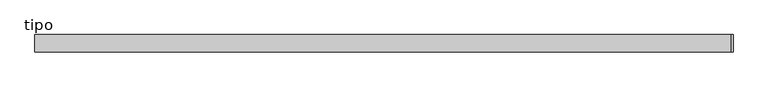
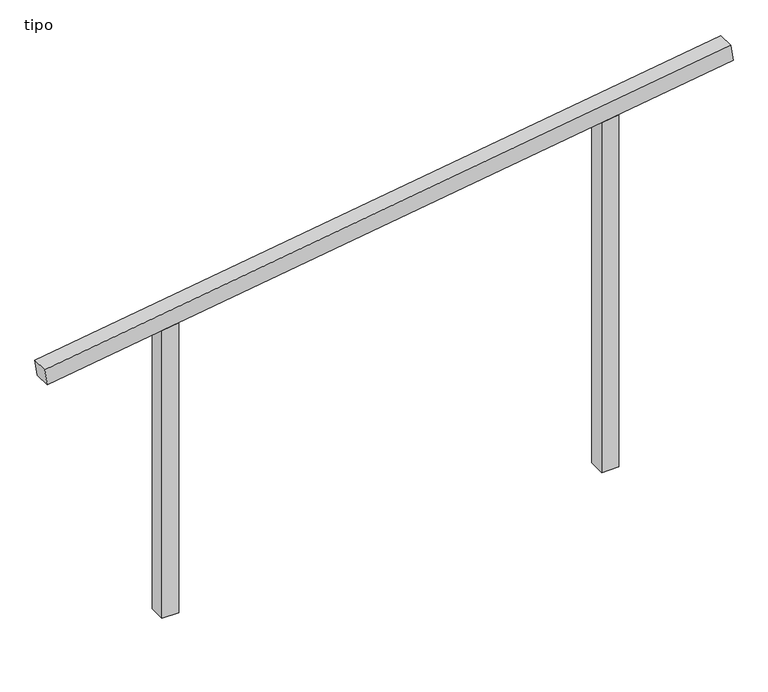
"""IFC4 building model written with IfcOpenShell, lengths in millimetres: proxy geometry, tipo."""

import ifcopenshell
import ifcopenshell.guid

model = None  # the IFC model being written
_history = None  # IfcOwnerHistory: only IFC2X3 demands one
_inside = {}  # id of a spatial element -> (the spatial element, [elements in it])
_under = {}  # id of a project, library or spatial element -> (it, [spatial elements below it])
_declared = {}  # id of a project -> (the project, [libraries it declares])
_typed = {}  # id of a type object -> (the type object, [elements of that type])
_made_of = {}  # id of a material, layer set ... -> (it, [elements and type objects made of it])


def new_model(schema):
    """Start an empty IFC model of exactly this schema.

    Asked for "IFC4X3", IfcOpenShell would pick the latest addendum, in which some entities
    have other attributes; the version numbers below select the first issue.
    IFC2X3 requires an IfcOwnerHistory on every rooted entity: one is made here for all.
    """
    global model, _history
    if schema == "IFC4X3":
        model = ifcopenshell.file(schema_version=(4, 3, 0, 0))
    else:
        model = ifcopenshell.file(schema=schema)
    _inside.clear()
    _under.clear()
    _declared.clear()
    _typed.clear()
    _made_of.clear()
    _history = None
    if model.schema == "IFC2X3":
        org = make("IfcOrganization", Name="unknown")
        user = make(
            "IfcPersonAndOrganization",
            ThePerson=make("IfcPerson", FamilyName="unknown"),
            TheOrganization=org,
        )
        app = make(
            "IfcApplication",
            ApplicationDeveloper=org,
            Version="unknown",
            ApplicationFullName="unknown",
            ApplicationIdentifier="unknown",
        )
        _history = make(
            "IfcOwnerHistory",
            OwningUser=user,
            OwningApplication=app,
            ChangeAction="ADDED",
            CreationDate=0,
        )
    return model


def make(cls, **values):
    """One entity of the class cls with the attributes given. An attribute that is None is left unset."""
    return model.create_entity(
        cls, **{name: value for name, value in values.items() if value is not None}
    )


def rooted(cls, **values):
    """An entity with a GlobalId (a new one), such as an element, a storey or a relation."""
    return make(cls, GlobalId=ifcopenshell.guid.new(), OwnerHistory=_history, **values)


def si_unit(unit_type, name, prefix=None):
    """IfcSIUnit, for example si_unit("LENGTHUNIT", "METRE", prefix="MILLI")."""
    return make("IfcSIUnit", UnitType=unit_type, Prefix=prefix, Name=name)


def assignment(units):
    """IfcUnitAssignment: the units of a project."""
    return None if units is None else make("IfcUnitAssignment", Units=units)


def point(xyz):
    """IfcCartesianPoint."""
    return None if xyz is None else make("IfcCartesianPoint", Coordinates=xyz)


def direction(xyz):
    """IfcDirection."""
    return None if xyz is None else make("IfcDirection", DirectionRatios=xyz)


def frame(location, z_axis=None, x_axis=None):
    """IfcAxis2Placement3D, a coordinate frame: its origin and axes. An axis left out is left unset."""
    return make(
        "IfcAxis2Placement3D",
        Location=point(location),
        Axis=direction(z_axis),
        RefDirection=direction(x_axis),
    )


def origin():
    """The frame at (0, 0, 0) with its axes left unset."""
    return frame((0.0, 0.0, 0.0))


def place(relative_to, where):
    """IfcLocalPlacement: puts the frame where relative to a parent placement (None: the world)."""
    return make(
        "IfcLocalPlacement", PlacementRelTo=relative_to, RelativePlacement=where
    )


def context(
    kind, dimensions, precision=None, world=None, true_north=None, identifier=None
):
    """IfcGeometricRepresentationContext, for example the 3D "Model" context."""
    return make(
        "IfcGeometricRepresentationContext",
        ContextIdentifier=identifier,
        ContextType=kind,
        CoordinateSpaceDimension=dimensions,
        Precision=precision,
        WorldCoordinateSystem=world,
        TrueNorth=true_north,
    )


def project(units=None, contexts=None):
    """IfcProject with its units and contexts."""
    return rooted(
        "IfcProject",
        Name="project",
        RepresentationContexts=contexts,
        UnitsInContext=assignment(units),
    )


def spatial(cls, under=None, at=None, **own):
    """A site, building, storey or space (cls), placed at a placement, below another one or the project."""
    s = rooted(cls, ObjectPlacement=at, **own)
    if under is not None:
        _under.setdefault(under.id(), (under, []))[1].append(s)
    return s


def polyline(points):
    """IfcPolyline through the points."""
    return make("IfcPolyline", Points=[point(p) for p in points])


def outline(outer, holes=None, kind="AREA"):
    """IfcArbitraryClosedProfileDef: a profile drawn as a closed curve; with holes, ...WithVoids."""
    if holes is None:
        return make("IfcArbitraryClosedProfileDef", ProfileType=kind, OuterCurve=outer)
    return make(
        "IfcArbitraryProfileDefWithVoids",
        ProfileType=kind,
        OuterCurve=outer,
        InnerCurves=holes,
    )


def extrude(swept, where, along, depth):
    """IfcExtrudedAreaSolid: the profile swept, set in the frame where, extruded along a direction by depth."""
    return make(
        "IfcExtrudedAreaSolid",
        SweptArea=swept,
        Position=where,
        ExtrudedDirection=direction(along),
        Depth=depth,
    )


def shape(context_of_items, identifier, shape_type, items):
    """IfcShapeRepresentation: the items that make up one representation, for example the "Body"."""
    return make(
        "IfcShapeRepresentation",
        ContextOfItems=context_of_items,
        RepresentationIdentifier=identifier,
        RepresentationType=shape_type,
        Items=items,
    )


def source(mapping_origin, context_of_items, identifier, shape_type, items):
    """IfcRepresentationMap: a shape defined once, which mapped items show again and again."""
    return make(
        "IfcRepresentationMap",
        MappingOrigin=mapping_origin,
        MappedRepresentation=shape(context_of_items, identifier, shape_type, items),
    )


def transform(
    local_origin,
    x_axis=None,
    y_axis=None,
    z_axis=None,
    scale=None,
    scale2=None,
    scale3=None,
    uniform=True,
):
    """IfcCartesianTransformationOperator3D, or its non-uniform kind. x_axis, y_axis, z_axis: its Axis1, 2, 3."""
    if uniform:
        return make(
            "IfcCartesianTransformationOperator3D",
            Axis1=direction(x_axis),
            Axis2=direction(y_axis),
            LocalOrigin=point(local_origin),
            Scale=scale,
            Axis3=direction(z_axis),
        )
    return make(
        "IfcCartesianTransformationOperator3DnonUniform",
        Axis1=direction(x_axis),
        Axis2=direction(y_axis),
        LocalOrigin=point(local_origin),
        Scale=scale,
        Axis3=direction(z_axis),
        Scale2=scale2,
        Scale3=scale3,
    )


def mapped(mapping_source, mapping_target):
    """IfcMappedItem: shows the shape of a source again, moved by a transform."""
    return make(
        "IfcMappedItem", MappingSource=mapping_source, MappingTarget=mapping_target
    )


def made_of(thing, what):
    """Note that an element or type object is made of a material, layer set ...; save() writes the relation."""
    if what is not None:
        _made_of.setdefault(what.id(), (what, []))[1].append(thing)
    return thing


def element(
    cls,
    number,
    at=None,
    inside=None,
    cuts=None,
    type_object=None,
    material=None,
    context=None,
    identifier="Body",
    shape_type=None,
    held_by="IfcProductDefinitionShape",
    body=None,
    shapes=None,
    **own,
):
    """One element of the class cls, such as IfcWall. Its Tag is "e" and its number.

    at: its placement. inside: the storey or other place that contains it. cuts: it is an
    opening in that element (IfcRelVoidsElement). A single representation is given by context,
    identifier, shape_type and body (its items); several are given by shapes. held_by: the class
    of the entity that holds the representations. save() writes the other relations.
    """
    e = rooted(cls, Tag="e%d" % number, ObjectPlacement=at, **own)
    if body is not None:
        shapes = [shape(context, identifier, shape_type, body)]
    if shapes is not None:
        e.Representation = make(held_by, Representations=shapes)
    if inside is not None:
        _inside.setdefault(inside.id(), (inside, []))[1].append(e)
    if cuts is not None:
        rooted(
            "IfcRelVoidsElement", RelatingBuildingElement=cuts, RelatedOpeningElement=e
        )
    if type_object is not None:
        _typed.setdefault(type_object.id(), (type_object, []))[1].append(e)
    return made_of(e, material)


def aggregate(whole, parts):
    """IfcRelAggregates: a whole, such as a stair, and the parts it consists of."""
    return rooted("IfcRelAggregates", RelatingObject=whole, RelatedObjects=parts)


def save(model, path):
    """Write the relations noted so far, then the file.

    IfcRelAggregates (storeys below a building ...), IfcRelContainedInSpatialStructure (elements
    in a storey), IfcRelDefinesByType, IfcRelAssociatesMaterial and IfcRelDeclares: one each for
    every whole, place, type object, material and project.
    """
    for whole, parts in _under.values():
        aggregate(whole, parts)
    for where, things in _inside.values():
        rooted(
            "IfcRelContainedInSpatialStructure",
            RelatedElements=things,
            RelatingStructure=where,
        )
    for kind, things in _typed.values():
        rooted("IfcRelDefinesByType", RelatedObjects=things, RelatingType=kind)
    for what, things in _made_of.values():
        rooted("IfcRelAssociatesMaterial", RelatedObjects=things, RelatingMaterial=what)
    for by, libraries in _declared.values():
        rooted("IfcRelDeclares", RelatingContext=by, RelatedDefinitions=libraries)
    model.write(path)


def tipo_04730c71(model_context):
    return source(origin(), model_context, "Body", "SweptSolid", [
        extrude(outline(polyline([(0.0, -4100.0000001), (0.0, 0.0), (100.0, 0.0), (100.0, -4100.0000001), (0.0, -4100.0000001)])), frame((-2027.3954421, -100.0, 1696.4086274), z_axis=(-0.14809335251045389, 0.0, 0.9889733863670016), x_axis=(0.0, 1.0, 0.0)), (0.0, 0.0, 1.0), 100.0),
        extrude(outline(polyline([(2202.1551122, 1350.0), (2187.1806594, 1250.0), (0.0, 1250.0), (0.0, 1350.0), (2202.1551122, 1350.0)])), frame((0.0, -100.0, 0.0), z_axis=(0.0, 1.0, 0.0), x_axis=(0.0, 0.0, 1.0)), (0.0, 0.0, 1.0), 100.0),
        extrude(outline(polyline([(1797.8448878, -1350.0), (0.0, -1350.0), (0.0, -1250.0), (1812.8193406, -1250.0), (1797.8448878, -1350.0)])), frame((0.0, -100.0, 0.0), z_axis=(0.0, 1.0, 0.0), x_axis=(0.0, 0.0, 1.0)), (0.0, 0.0, 1.0), 100.0),
    ])


if __name__ == "__main__":
    model = new_model("IFC4")
    model_context = context("Model", 3, world=origin())
    ifc_project = project(units=[si_unit("LENGTHUNIT", "METRE", prefix="MILLI")], contexts=[model_context])
    site = spatial("IfcSite", under=ifc_project)
    building = spatial("IfcBuilding", under=site)
    placement = place(None, origin())
    tipo_shape = tipo_04730c71(model_context)
    element("IfcBuildingElementProxy", 1, Name="tipo", ObjectType="tipo", at=placement, inside=building, context=model_context, shape_type="MappedRepresentation", body=[
        mapped(tipo_shape, transform((0.0, 0.0, 0.0), x_axis=(1.0, 0.0, 0.0), y_axis=(0.0, 1.0, 0.0), z_axis=(0.0, 0.0, 1.0))),
    ])
    save(model, "model.ifc")
